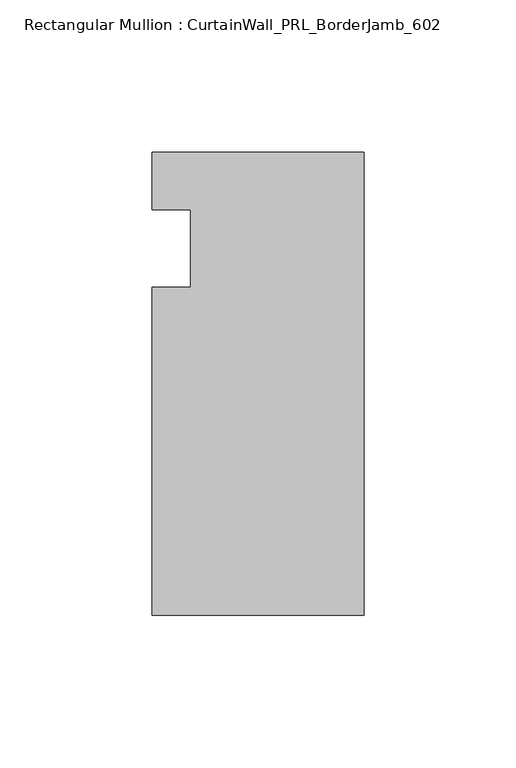
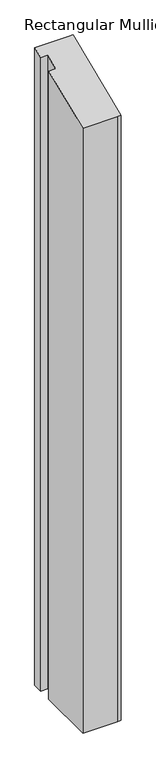
"""IFC4 building model written with IfcOpenShell, lengths in millimetres: member geometry, Rectangular Mullion : CurtainWall_PRL_BorderJamb_602."""

from ifc_helpers import new_model, si_unit, origin, place, context, project, spatial, faceted_brep, source, transform, mapped, element, save


def rectangular_mullion_curtainwall_prl_borderjamb_602_7f5aabd8(model_context):
    return source(origin(), model_context, "Body", "Brep", [
        faceted_brep([(-57.15, -12.7, -1219.2), (-57.15, 12.7, -1219.2), (-69.85, 12.7, -1219.2), (-69.85, 31.75, -1219.2), (-7.3958824, 31.75, -1219.2), (0.0, 31.75, -1219.2), (0.0, -120.65, -1219.2), (-6.35, -120.65, -1219.2), (-69.85, -120.65, -1219.2), (-69.85, -12.7, -1219.2), (-69.85, -12.7, -5.2605122), (-57.15, -12.7, -5.2605122), (-69.85, -120.65, -49.9748663), (-6.35, -120.65, -49.9748663), (0.0, -120.65, -49.9748663), (0.0, 31.75, 13.1512806), (-7.3958824, 31.75, 13.1512806), (-69.85, 31.75, 13.1512806), (-69.85, 12.7, 5.2605122), (-57.15, 12.7, 5.2605122)], [[[0, 1, 2, 3, 4, 5, 6, 7, 8, 9]], [[10, 11, 0, 9]], [[12, 10, 9, 8]], [[13, 12, 8, 7]], [[14, 13, 7, 6]], [[15, 14, 6, 5]], [[16, 15, 5, 4]], [[17, 16, 4, 3]], [[18, 17, 3, 2]], [[19, 18, 2, 1]], [[11, 19, 1, 0]], [[11, 10, 12, 13, 14, 15, 16, 17, 18, 19]]]),
    ])


if __name__ == "__main__":
    model = new_model("IFC4")
    model_context = context("Model", 3, world=origin())
    ifc_project = project(units=[si_unit("LENGTHUNIT", "METRE", prefix="MILLI")], contexts=[model_context])
    site = spatial("IfcSite", under=ifc_project)
    building = spatial("IfcBuilding", under=site)
    placement = place(None, origin())
    rectangular_mullion_curtainwall_prl_borderjamb_602_shape = rectangular_mullion_curtainwall_prl_borderjamb_602_7f5aabd8(model_context)
    element("IfcMember", 1, ObjectType="Rectangular Mullion : CurtainWall_PRL_BorderJamb_602", at=placement, inside=building, context=model_context, shape_type="MappedRepresentation", body=[
        mapped(rectangular_mullion_curtainwall_prl_borderjamb_602_shape, transform((0.0, 0.0, 0.0), x_axis=(1.0, 0.0, 0.0), y_axis=(0.0, 1.0, 0.0), z_axis=(0.0, 0.0, 1.0))),
    ])
    save(model, "model.ifc")
